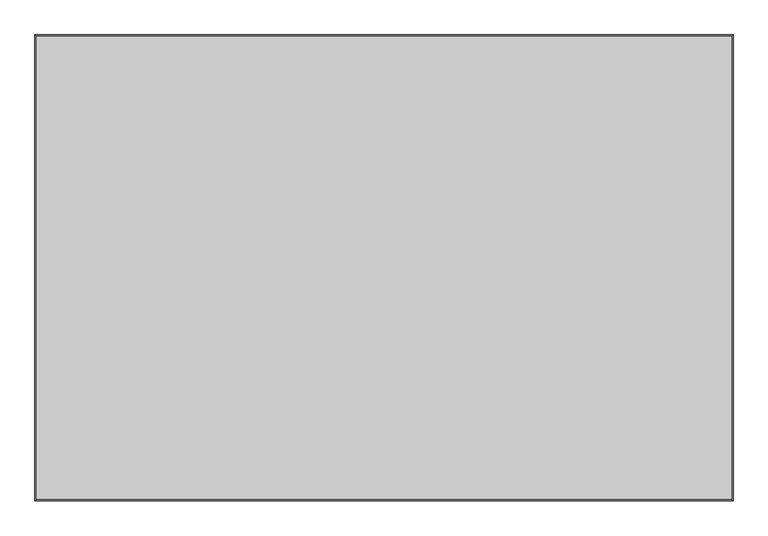
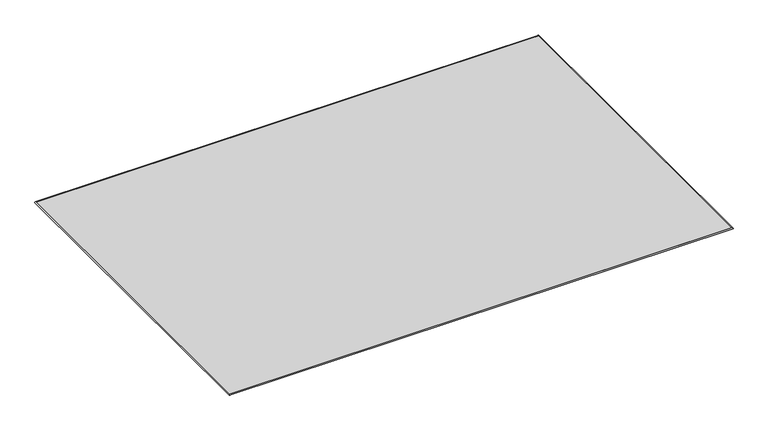
"""IFC4 building model written with IfcOpenShell, lengths in millimetres: furniture geometry."""

from ifc_helpers import new_model, si_unit, frame, origin, origin_with_axes, place, context, project, spatial, polyline, ellipse_curve, outline, extrude, source, transform, mapped, element, save
from ifc_brep_helpers import plane_surface, cylinder_surface, advanced_brep


def furniture_0355f6fc(model_context):
    return source(origin(), model_context, "Body", "SolidModel", [
        advanced_brep(
        [(-299.0453125, -998.7855469, 6.35), (-299.0453125, 1000.1746094, 6.35), (-299.0453125, 1000.1746094, 0.0), (-299.0453125, -998.7855469, 0.0), (2700.734375, 1000.1746094, 6.35), (2700.734375, 1000.1746094, 0.0), (2700.734375, -998.7855469, 6.35), (2700.734375, -998.7855469, 0.0)],
        [
            (0, 1),
            (1, 2, ellipse_curve(frame((-300.1097864, 1001.2390833, 3.175), z_axis=(-0.7071067811865475, -0.7071067811865475, 0.0), x_axis=(0.7071067811865474, -0.7071067811865476, 0.0)), 4.7357639, 3.3486907)),
            (2, 3),
            (3, 0, ellipse_curve(frame((-300.1097864, -999.8500208, 3.175), z_axis=(-0.7071067811865475, 0.7071067811865475, 0.0), x_axis=(-0.7071067811865474, -0.7071067811865476, 0.0)), 4.7357639, 3.3486907)),
            (2, 1),
            (0, 3),
            (1, 4),
            (4, 5, ellipse_curve(frame((2701.7988489, 1001.2390833, 3.175), z_axis=(-0.7071067811865475, 0.7071067811865475, 0.0), x_axis=(-0.7071067811865476, -0.7071067811865474, 0.0)), 4.7357639, 3.3486907)),
            (5, 2),
            (5, 4),
            (4, 6),
            (6, 7, ellipse_curve(frame((2701.7988489, -999.8500208, 3.175), z_axis=(0.7071067811865475, 0.7071067811865475, 0.0), x_axis=(-0.7071067811865474, 0.7071067811865476, 0.0)), 4.7357639, 3.3486907)),
            (7, 5),
            (7, 6),
            (6, 0),
            (3, 7),
        ],
        [
            cylinder_surface(frame((-300.1097864, -998.7855469, 3.175), z_axis=(0.0, -1.0, 0.0), x_axis=(1.0, 0.0, 0.0)), 3.3486907),
            plane_surface(frame((-299.0453125, -998.7855469, 6.35), z_axis=(1.0, 0.0, 0.0), x_axis=(0.0, 1.0, 0.0))),
            cylinder_surface(frame((-299.0453125, 1001.2390833, 3.175), z_axis=(-1.0, 0.0, 0.0), x_axis=(0.0, -1.0, 0.0)), 3.3486907),
            plane_surface(frame((-299.0453125, 1000.1746094, 6.35), z_axis=(0.0, -1.0, 0.0), x_axis=(1.0, 0.0, 0.0))),
            cylinder_surface(frame((2701.7988489, 1000.1746094, 3.175), z_axis=(0.0, 1.0, 0.0), x_axis=(-1.0, 0.0, 0.0)), 3.3486907),
            plane_surface(frame((2700.734375, 1000.1746094, 6.35), z_axis=(-1.0, 0.0, 0.0), x_axis=(0.0, -1.0, 0.0))),
            cylinder_surface(frame((2700.734375, -999.8500208, 3.175), z_axis=(1.0, 0.0, 0.0), x_axis=(0.0, 1.0, 0.0)), 3.3486907),
            plane_surface(frame((2700.734375, -998.7855469, 6.35), z_axis=(0.0, 1.0, 0.0), x_axis=(-1.0, 0.0, 0.0))),
        ],
        [
            (0, [[1, 2, 3, 4]]),
            (1, [[-3, 5, -1, 6]]),
            (2, [[7, 8, 9, -2]]),
            (3, [[-9, 10, -7, -5]]),
            (4, [[11, 12, 13, -8]]),
            (5, [[-13, 14, -11, -10]]),
            (6, [[15, -4, 16, -12]]),
            (7, [[-16, -6, -15, -14]]),
        ],
    ),
        extrude(outline(polyline([(2700.734375, -998.7855469), (-299.0453125, -998.7855469), (-299.0453125, 1000.1746094), (2700.734375, 1000.1746094), (2700.734375, -998.7855469)])), origin_with_axes(), (0.0, 0.0, 1.0), 6.35),
    ])


if __name__ == "__main__":
    model = new_model("IFC4")
    model_context = context("Model", 3, world=origin())
    ifc_project = project(units=[si_unit("LENGTHUNIT", "METRE", prefix="MILLI")], contexts=[model_context])
    site = spatial("IfcSite", under=ifc_project)
    building = spatial("IfcBuilding", under=site)
    placement = place(None, origin())
    furniture_shape = furniture_0355f6fc(model_context)
    element("IfcFurniture", 1, at=placement, inside=building, context=model_context, shape_type="MappedRepresentation", body=[
        mapped(furniture_shape, transform((0.0, 0.0, 0.0), x_axis=(1.0, 0.0, 0.0), y_axis=(0.0, 1.0, 0.0), z_axis=(0.0, 0.0, 1.0))),
    ])
    save(model, "model.ifc")
